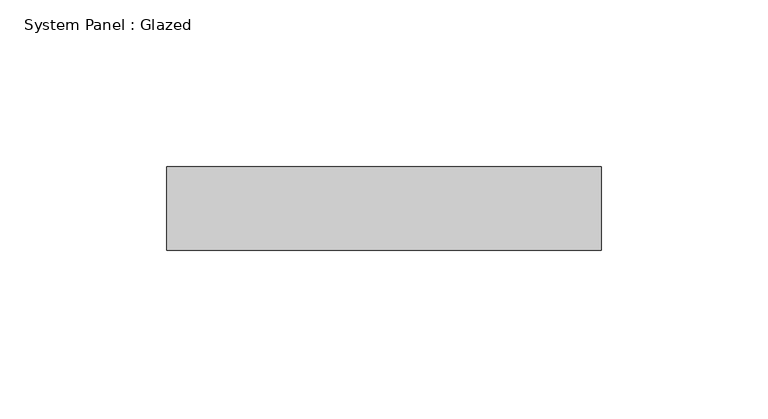
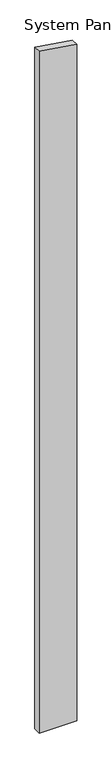
"""IFC4 building model written with IfcOpenShell, lengths in millimetres: plate geometry, System Panel : Glazed."""

from ifc_helpers import new_model, si_unit, frame, origin, place, context, project, spatial, polyline, outline, extrude, source, transform, mapped, element, save


def system_panel_glazed_fa040da0(model_context):
    return source(origin(), model_context, "Body", "SweptSolid", [
        extrude(outline(polyline([(0.0, -65.0), (0.0, 65.0), (2475.7411425, 65.0), (2494.9672638, -65.0), (0.0, -65.0)])), frame((0.0, 24.5, 0.0), z_axis=(0.0, 1.0, 0.0), x_axis=(0.0, 0.0, 1.0)), (0.0, 0.0, 1.0), 25.0),
    ])


if __name__ == "__main__":
    model = new_model("IFC4")
    model_context = context("Model", 3, world=origin())
    ifc_project = project(units=[si_unit("LENGTHUNIT", "METRE", prefix="MILLI")], contexts=[model_context])
    site = spatial("IfcSite", under=ifc_project)
    building = spatial("IfcBuilding", under=site)
    placement = place(None, origin())
    system_panel_glazed_shape = system_panel_glazed_fa040da0(model_context)
    element("IfcPlate", 1, ObjectType="System Panel : Glazed", at=placement, inside=building, context=model_context, shape_type="MappedRepresentation", body=[
        mapped(system_panel_glazed_shape, transform((0.0, 0.0, 0.0), x_axis=(1.0, 0.0, 0.0), y_axis=(0.0, 1.0, 0.0), z_axis=(0.0, 0.0, 1.0))),
    ])
    save(model, "model.ifc")
